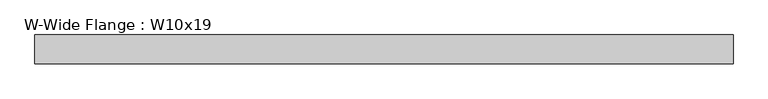
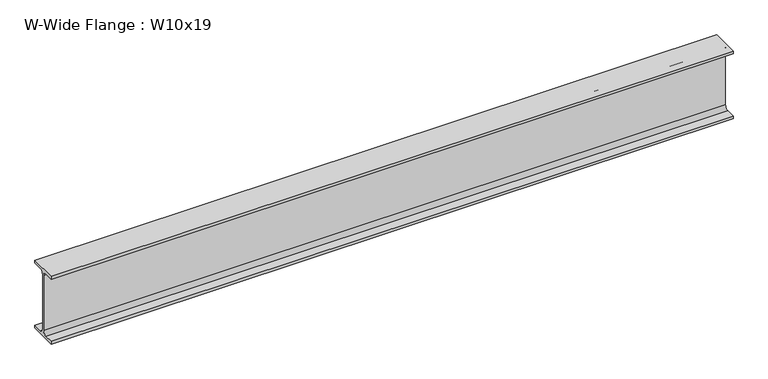
"""IFC4 building model written with IfcOpenShell, lengths in millimetres: beam geometry, W-Wide Flange : W10x19."""

import ifcopenshell
import ifcopenshell.guid

model = None  # the IFC model being written
_history = None  # IfcOwnerHistory: only IFC2X3 demands one
_inside = {}  # id of a spatial element -> (the spatial element, [elements in it])
_under = {}  # id of a project, library or spatial element -> (it, [spatial elements below it])
_declared = {}  # id of a project -> (the project, [libraries it declares])
_typed = {}  # id of a type object -> (the type object, [elements of that type])
_made_of = {}  # id of a material, layer set ... -> (it, [elements and type objects made of it])


def new_model(schema):
    """Start an empty IFC model of exactly this schema.

    Asked for "IFC4X3", IfcOpenShell would pick the latest addendum, in which some entities
    have other attributes; the version numbers below select the first issue.
    IFC2X3 requires an IfcOwnerHistory on every rooted entity: one is made here for all.
    """
    global model, _history
    if schema == "IFC4X3":
        model = ifcopenshell.file(schema_version=(4, 3, 0, 0))
    else:
        model = ifcopenshell.file(schema=schema)
    _inside.clear()
    _under.clear()
    _declared.clear()
    _typed.clear()
    _made_of.clear()
    _history = None
    if model.schema == "IFC2X3":
        org = make("IfcOrganization", Name="unknown")
        user = make(
            "IfcPersonAndOrganization",
            ThePerson=make("IfcPerson", FamilyName="unknown"),
            TheOrganization=org,
        )
        app = make(
            "IfcApplication",
            ApplicationDeveloper=org,
            Version="unknown",
            ApplicationFullName="unknown",
            ApplicationIdentifier="unknown",
        )
        _history = make(
            "IfcOwnerHistory",
            OwningUser=user,
            OwningApplication=app,
            ChangeAction="ADDED",
            CreationDate=0,
        )
    return model


def make(cls, **values):
    """One entity of the class cls with the attributes given. An attribute that is None is left unset."""
    return model.create_entity(
        cls, **{name: value for name, value in values.items() if value is not None}
    )


def rooted(cls, **values):
    """An entity with a GlobalId (a new one), such as an element, a storey or a relation."""
    return make(cls, GlobalId=ifcopenshell.guid.new(), OwnerHistory=_history, **values)


def si_unit(unit_type, name, prefix=None):
    """IfcSIUnit, for example si_unit("LENGTHUNIT", "METRE", prefix="MILLI")."""
    return make("IfcSIUnit", UnitType=unit_type, Prefix=prefix, Name=name)


def assignment(units):
    """IfcUnitAssignment: the units of a project."""
    return None if units is None else make("IfcUnitAssignment", Units=units)


def point(xyz):
    """IfcCartesianPoint."""
    return None if xyz is None else make("IfcCartesianPoint", Coordinates=xyz)


def direction(xyz):
    """IfcDirection."""
    return None if xyz is None else make("IfcDirection", DirectionRatios=xyz)


def frame(location, z_axis=None, x_axis=None):
    """IfcAxis2Placement3D, a coordinate frame: its origin and axes. An axis left out is left unset."""
    return make(
        "IfcAxis2Placement3D",
        Location=point(location),
        Axis=direction(z_axis),
        RefDirection=direction(x_axis),
    )


def frame_2d(location, x_axis=None):
    """IfcAxis2Placement2D, a coordinate frame in the plane: its origin and x axis."""
    return make(
        "IfcAxis2Placement2D", Location=point(location), RefDirection=direction(x_axis)
    )


def origin():
    """The frame at (0, 0, 0) with its axes left unset."""
    return frame((0.0, 0.0, 0.0))


def place(relative_to, where):
    """IfcLocalPlacement: puts the frame where relative to a parent placement (None: the world)."""
    return make(
        "IfcLocalPlacement", PlacementRelTo=relative_to, RelativePlacement=where
    )


def context(
    kind, dimensions, precision=None, world=None, true_north=None, identifier=None
):
    """IfcGeometricRepresentationContext, for example the 3D "Model" context."""
    return make(
        "IfcGeometricRepresentationContext",
        ContextIdentifier=identifier,
        ContextType=kind,
        CoordinateSpaceDimension=dimensions,
        Precision=precision,
        WorldCoordinateSystem=world,
        TrueNorth=true_north,
    )


def project(units=None, contexts=None):
    """IfcProject with its units and contexts."""
    return rooted(
        "IfcProject",
        Name="project",
        RepresentationContexts=contexts,
        UnitsInContext=assignment(units),
    )


def spatial(cls, under=None, at=None, **own):
    """A site, building, storey or space (cls), placed at a placement, below another one or the project."""
    s = rooted(cls, ObjectPlacement=at, **own)
    if under is not None:
        _under.setdefault(under.id(), (under, []))[1].append(s)
    return s


def polyline(points):
    """IfcPolyline through the points."""
    return make("IfcPolyline", Points=[point(p) for p in points])


def circle_curve(where, radius):
    """IfcCircle in the frame where."""
    return make("IfcCircle", Position=where, Radius=radius)


def trimmed(basis, trim1, trim2, sense, master):
    """IfcTrimmedCurve: the piece of a basis curve between two trims."""
    return make(
        "IfcTrimmedCurve",
        BasisCurve=basis,
        Trim1=trim1,
        Trim2=trim2,
        SenseAgreement=sense,
        MasterRepresentation=master,
    )


def segment(curve, same_sense, transition):
    """IfcCompositeCurveSegment."""
    return make(
        "IfcCompositeCurveSegment",
        Transition=transition,
        SameSense=same_sense,
        ParentCurve=curve,
    )


def composite_curve(segments, self_intersect=None):
    """IfcCompositeCurve: segments joined end to end."""
    return make("IfcCompositeCurve", Segments=segments, SelfIntersect=self_intersect)


def outline(outer, holes=None, kind="AREA"):
    """IfcArbitraryClosedProfileDef: a profile drawn as a closed curve; with holes, ...WithVoids."""
    if holes is None:
        return make("IfcArbitraryClosedProfileDef", ProfileType=kind, OuterCurve=outer)
    return make(
        "IfcArbitraryProfileDefWithVoids",
        ProfileType=kind,
        OuterCurve=outer,
        InnerCurves=holes,
    )


def extrude(swept, where, along, depth):
    """IfcExtrudedAreaSolid: the profile swept, set in the frame where, extruded along a direction by depth."""
    return make(
        "IfcExtrudedAreaSolid",
        SweptArea=swept,
        Position=where,
        ExtrudedDirection=direction(along),
        Depth=depth,
    )


def shape(context_of_items, identifier, shape_type, items):
    """IfcShapeRepresentation: the items that make up one representation, for example the "Body"."""
    return make(
        "IfcShapeRepresentation",
        ContextOfItems=context_of_items,
        RepresentationIdentifier=identifier,
        RepresentationType=shape_type,
        Items=items,
    )


def source(mapping_origin, context_of_items, identifier, shape_type, items):
    """IfcRepresentationMap: a shape defined once, which mapped items show again and again."""
    return make(
        "IfcRepresentationMap",
        MappingOrigin=mapping_origin,
        MappedRepresentation=shape(context_of_items, identifier, shape_type, items),
    )


def transform(
    local_origin,
    x_axis=None,
    y_axis=None,
    z_axis=None,
    scale=None,
    scale2=None,
    scale3=None,
    uniform=True,
):
    """IfcCartesianTransformationOperator3D, or its non-uniform kind. x_axis, y_axis, z_axis: its Axis1, 2, 3."""
    if uniform:
        return make(
            "IfcCartesianTransformationOperator3D",
            Axis1=direction(x_axis),
            Axis2=direction(y_axis),
            LocalOrigin=point(local_origin),
            Scale=scale,
            Axis3=direction(z_axis),
        )
    return make(
        "IfcCartesianTransformationOperator3DnonUniform",
        Axis1=direction(x_axis),
        Axis2=direction(y_axis),
        LocalOrigin=point(local_origin),
        Scale=scale,
        Axis3=direction(z_axis),
        Scale2=scale2,
        Scale3=scale3,
    )


def mapped(mapping_source, mapping_target):
    """IfcMappedItem: shows the shape of a source again, moved by a transform."""
    return make(
        "IfcMappedItem", MappingSource=mapping_source, MappingTarget=mapping_target
    )


def made_of(thing, what):
    """Note that an element or type object is made of a material, layer set ...; save() writes the relation."""
    if what is not None:
        _made_of.setdefault(what.id(), (what, []))[1].append(thing)
    return thing


def element(
    cls,
    number,
    at=None,
    inside=None,
    cuts=None,
    type_object=None,
    material=None,
    context=None,
    identifier="Body",
    shape_type=None,
    held_by="IfcProductDefinitionShape",
    body=None,
    shapes=None,
    **own,
):
    """One element of the class cls, such as IfcWall. Its Tag is "e" and its number.

    at: its placement. inside: the storey or other place that contains it. cuts: it is an
    opening in that element (IfcRelVoidsElement). A single representation is given by context,
    identifier, shape_type and body (its items); several are given by shapes. held_by: the class
    of the entity that holds the representations. save() writes the other relations.
    """
    e = rooted(cls, Tag="e%d" % number, ObjectPlacement=at, **own)
    if body is not None:
        shapes = [shape(context, identifier, shape_type, body)]
    if shapes is not None:
        e.Representation = make(held_by, Representations=shapes)
    if inside is not None:
        _inside.setdefault(inside.id(), (inside, []))[1].append(e)
    if cuts is not None:
        rooted(
            "IfcRelVoidsElement", RelatingBuildingElement=cuts, RelatedOpeningElement=e
        )
    if type_object is not None:
        _typed.setdefault(type_object.id(), (type_object, []))[1].append(e)
    return made_of(e, material)


def aggregate(whole, parts):
    """IfcRelAggregates: a whole, such as a stair, and the parts it consists of."""
    return rooted("IfcRelAggregates", RelatingObject=whole, RelatedObjects=parts)


def save(model, path):
    """Write the relations noted so far, then the file.

    IfcRelAggregates (storeys below a building ...), IfcRelContainedInSpatialStructure (elements
    in a storey), IfcRelDefinesByType, IfcRelAssociatesMaterial and IfcRelDeclares: one each for
    every whole, place, type object, material and project.
    """
    for whole, parts in _under.values():
        aggregate(whole, parts)
    for where, things in _inside.values():
        rooted(
            "IfcRelContainedInSpatialStructure",
            RelatedElements=things,
            RelatingStructure=where,
        )
    for kind, things in _typed.values():
        rooted("IfcRelDefinesByType", RelatedObjects=things, RelatingType=kind)
    for what, things in _made_of.values():
        rooted("IfcRelAssociatesMaterial", RelatedObjects=things, RelatingMaterial=what)
    for by, libraries in _declared.values():
        rooted("IfcRelDeclares", RelatingContext=by, RelatedDefinitions=libraries)
    model.write(path)


def w_wide_flange_w10x19_75381ab2(model_context):
    return source(origin(), model_context, "Body", "SweptSolid", [
        extrude(outline(composite_curve([segment(polyline([(51.054, -119.507), (51.054, -129.54), (-51.054, -129.54), (-51.054, -119.507), (-16.9545, -119.507)]), True, "CONTINUOUS"), segment(trimmed(circle_curve(frame_2d((-16.9545, -105.7275)), 13.7795), [point((-16.9545, -119.507))], [point((-3.175, -105.7275))], True, "CARTESIAN"), True, "CONTINUOUS"), segment(polyline([(-3.175, -105.7275), (-3.175, 105.7275)]), True, "CONTINUOUS"), segment(trimmed(circle_curve(frame_2d((-16.9545, 105.7275)), 13.7795), [point((-3.175, 105.7275))], [point((-16.9545, 119.507))], True, "CARTESIAN"), True, "CONTINUOUS"), segment(polyline([(-16.9545, 119.507), (-51.054, 119.507), (-51.054, 129.54), (51.054, 129.54), (51.054, 119.507), (16.9545, 119.507)]), True, "CONTINUOUS"), segment(trimmed(circle_curve(frame_2d((16.9545, 105.7275)), 13.7795), [point((16.9545, 119.507))], [point((3.175, 105.7275))], True, "CARTESIAN"), True, "CONTINUOUS"), segment(polyline([(3.175, 105.7275), (3.175, -105.7275)]), True, "CONTINUOUS"), segment(trimmed(circle_curve(frame_2d((16.9545, -105.7275)), 13.7795), [point((3.175, -105.7275))], [point((16.9545, -119.507))], True, "CARTESIAN"), True, "CONTINUOUS"), segment(polyline([(16.9545, -119.507), (51.054, -119.507)]), True, "CONTINUOUS")], self_intersect=False)), frame((-1234.821, 0.0, 0.0), z_axis=(1.0, 0.0, 0.0), x_axis=(0.0, 1.0, 0.0)), (0.0, 0.0, 1.0), 2469.642),
    ])


if __name__ == "__main__":
    model = new_model("IFC4")
    model_context = context("Model", 3, world=origin())
    ifc_project = project(units=[si_unit("LENGTHUNIT", "METRE", prefix="MILLI")], contexts=[model_context])
    site = spatial("IfcSite", under=ifc_project)
    building = spatial("IfcBuilding", under=site)
    placement = place(None, origin())
    w_wide_flange_w10x19_shape = w_wide_flange_w10x19_75381ab2(model_context)
    element("IfcBeam", 1, ObjectType="W-Wide Flange : W10x19", at=placement, inside=building, context=model_context, shape_type="MappedRepresentation", body=[
        mapped(w_wide_flange_w10x19_shape, transform((0.0, 0.0, 0.0), x_axis=(1.0, 0.0, 0.0), y_axis=(0.0, 1.0, 0.0), z_axis=(0.0, 0.0, 1.0))),
    ])
    save(model, "model.ifc")
